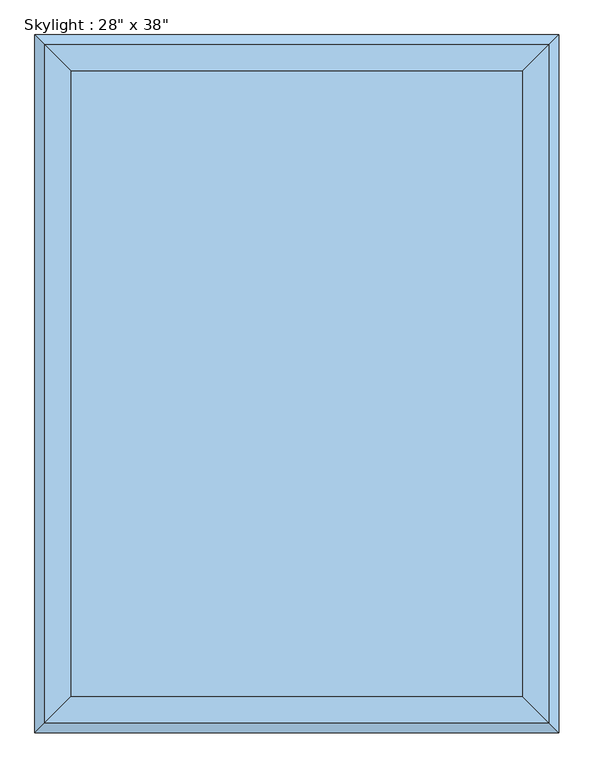
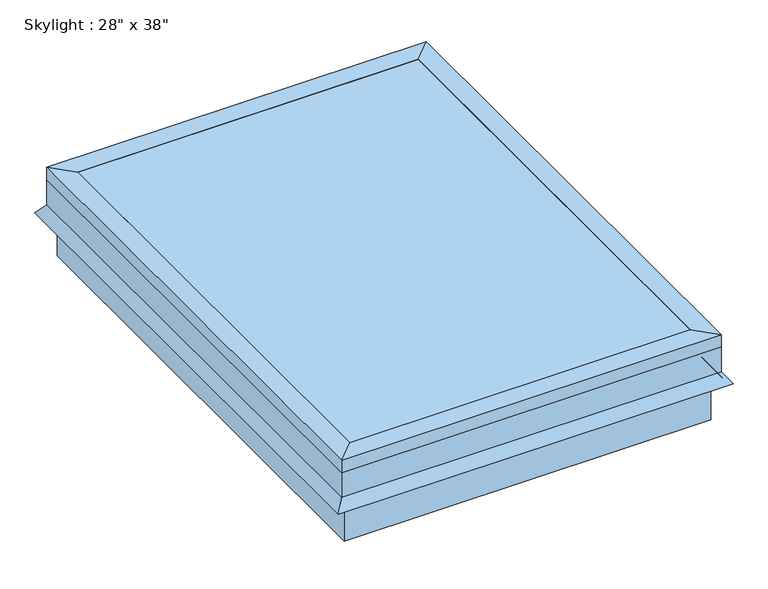
"""IFC4 building model written with IfcOpenShell, lengths in millimetres: window geometry."""

from ifc_helpers import new_model, si_unit, frame, origin, place, context, project, spatial, polyline, outline, extrude, faceted_brep, source, transform, mapped, element, save


def window_21355f15(model_context):
    return source(origin(), model_context, "Body", "SolidModel", [
        faceted_brep([(254.440073, 370.1040988, 4038.6), (279.840073, 395.5040988, 4038.6), (279.840073, -569.6959012, 4038.6), (254.440073, -544.2959012, 4038.6), (254.440073, 370.1040988, 4064.0), (254.440073, -544.2959012, 4064.0), (292.540073, 408.2040988, 4064.0), (292.540073, -582.3959012, 4064.0), (292.540073, 408.2040988, 4038.6), (292.540073, -582.3959012, 4038.6), (292.540073, 408.2040988, 3987.8), (292.540073, -582.3959012, 3987.8), (307.1089145, 422.7729403, 3966.9935381), (307.1089145, -596.9647427, 3966.9935381), (301.907299, 417.5713248, 3963.3513277), (301.907299, -591.7631272, 3963.3513277), (286.190073, 401.8540988, 3985.7978527), (286.190073, -576.0459012, 3985.7978527), (286.190073, 401.8540988, 4038.6), (286.190073, -576.0459012, 4038.6), (-431.359927, -569.6959012, 4038.6), (-405.959927, -544.2959012, 4038.6), (-405.959927, -544.2959012, 4064.0), (-444.059927, -582.3959012, 4064.0), (-444.059927, -582.3959012, 4038.6), (-444.059927, -582.3959012, 3987.8), (-458.6287685, -596.9647427, 3966.9935381), (-453.427153, -591.7631272, 3963.3513277), (-437.709927, -576.0459012, 3985.7978527), (-437.709927, -576.0459012, 4038.6), (-431.359927, 395.5040988, 4038.6), (-405.959927, 370.1040988, 4038.6), (-405.959927, 370.1040988, 4064.0), (-444.059927, 408.2040988, 4064.0), (-444.059927, 408.2040988, 4038.6), (-444.059927, 408.2040988, 3987.8), (-458.6287685, 422.7729403, 3966.9935381), (-453.427153, 417.5713248, 3963.3513277), (-437.709927, 401.8540988, 3985.7978527), (-437.709927, 401.8540988, 4038.6)], [[[0, 1, 2, 3]], [[4, 0, 3, 5]], [[6, 4, 5, 7]], [[8, 6, 7, 9]], [[10, 8, 9, 11]], [[12, 10, 11, 13]], [[14, 12, 13, 15]], [[16, 14, 15, 17]], [[18, 16, 17, 19]], [[1, 18, 19, 2]], [[3, 2, 20, 21]], [[5, 3, 21, 22]], [[7, 5, 22, 23]], [[9, 7, 23, 24]], [[11, 9, 24, 25]], [[13, 11, 25, 26]], [[15, 13, 26, 27]], [[17, 15, 27, 28]], [[19, 17, 28, 29]], [[2, 19, 29, 20]], [[21, 20, 30, 31]], [[22, 21, 31, 32]], [[23, 22, 32, 33]], [[24, 23, 33, 34]], [[25, 24, 34, 35]], [[26, 25, 35, 36]], [[27, 26, 36, 37]], [[28, 27, 37, 38]], [[29, 28, 38, 39]], [[20, 29, 39, 30]], [[31, 30, 1, 0]], [[32, 31, 0, 4]], [[33, 32, 4, 6]], [[34, 33, 6, 8]], [[35, 34, 8, 10]], [[36, 35, 10, 12]], [[37, 36, 12, 14]], [[38, 37, 14, 16]], [[39, 38, 16, 18]], [[30, 39, 18, 1]]]),
        faceted_brep([(279.840073, -569.6959012, 4038.6), (279.840073, -569.6959012, 3886.2), (279.840073, 395.5040988, 3886.2), (279.840073, 395.5040988, 4038.6), (254.440073, -544.2959012, 4038.6), (254.440073, 370.1040988, 4038.6), (254.440073, -544.2959012, 4013.2), (254.440073, 370.1040988, 4013.2), (235.390073, -525.2459012, 4013.2), (235.390073, 351.0540988, 4013.2), (235.390073, -525.2459012, 3886.2), (235.390073, 351.0540988, 3886.2), (-431.359927, 395.5040988, 3886.2), (-431.359927, 395.5040988, 4038.6), (-405.959927, 370.1040988, 4038.6), (-405.959927, 370.1040988, 4013.2), (-386.909927, 351.0540988, 4013.2), (-386.909927, 351.0540988, 3886.2), (-431.359927, -569.6959012, 3886.2), (-431.359927, -569.6959012, 4038.6), (-405.959927, -544.2959012, 4038.6), (-405.959927, -544.2959012, 4013.2), (-386.909927, -525.2459012, 4013.2), (-386.909927, -525.2459012, 3886.2)], [[[0, 1, 2, 3]], [[4, 0, 3, 5]], [[6, 4, 5, 7]], [[8, 6, 7, 9]], [[10, 8, 9, 11]], [[1, 10, 11, 2]], [[3, 2, 12, 13]], [[5, 3, 13, 14]], [[7, 5, 14, 15]], [[9, 7, 15, 16]], [[11, 9, 16, 17]], [[2, 11, 17, 12]], [[13, 12, 18, 19]], [[14, 13, 19, 20]], [[15, 14, 20, 21]], [[16, 15, 21, 22]], [[17, 16, 22, 23]], [[12, 17, 23, 18]], [[19, 18, 1, 0]], [[20, 19, 0, 4]], [[21, 20, 4, 6]], [[22, 21, 6, 8]], [[23, 22, 8, 10]], [[18, 23, 10, 1]]]),
        extrude(outline(polyline([(254.440073, -544.2959012), (-405.959927, -544.2959012), (-405.959927, 370.1040988), (254.440073, 370.1040988), (254.440073, -544.2959012)])), frame((0.0, 0.0, 4057.65), z_axis=(0.0, 0.0, 1.0), x_axis=(1.0, 0.0, 0.0)), (0.0, 0.0, 1.0), 6.35),
    ])


if __name__ == "__main__":
    model = new_model("IFC4")
    model_context = context("Model", 3, world=origin())
    ifc_project = project(units=[si_unit("LENGTHUNIT", "METRE", prefix="MILLI")], contexts=[model_context])
    site = spatial("IfcSite", under=ifc_project)
    building = spatial("IfcBuilding", under=site)
    placement = place(None, origin())
    window_shape = window_21355f15(model_context)
    element("IfcWindow", 1, ObjectType="Skylight : 28\" x 38\"", at=placement, inside=building, context=model_context, shape_type="MappedRepresentation", body=[
        mapped(window_shape, transform((0.0, 0.0, 0.0), x_axis=(1.0, 0.0, 0.0), y_axis=(0.0, 1.0, 0.0), z_axis=(0.0, 0.0, 1.0))),
    ])
    save(model, "model.ifc")
